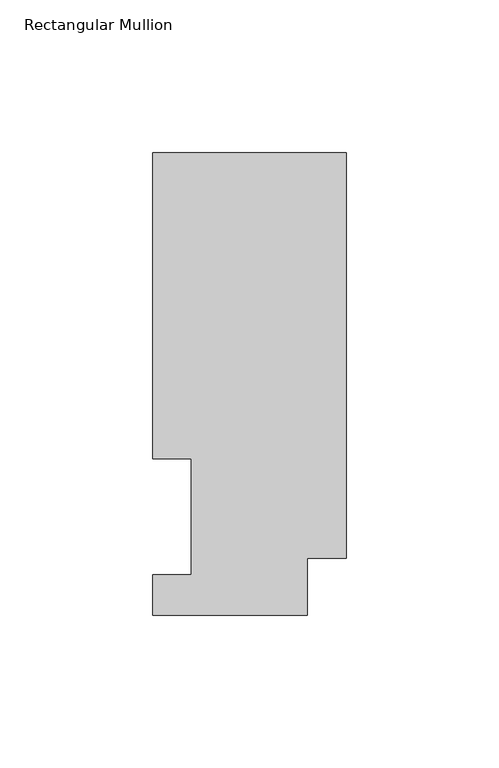
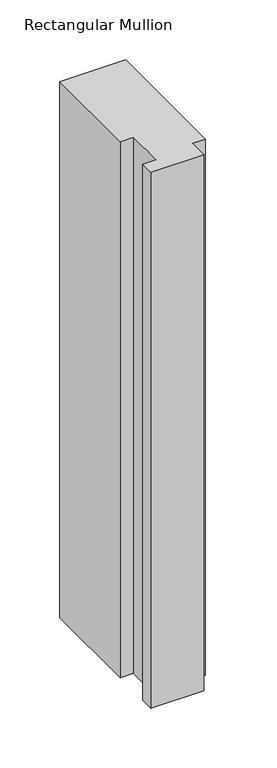
"""IFC4 building model written with IfcOpenShell, lengths in millimetres: member geometry, Rectangular Mullion."""

from ifc_helpers import new_model, si_unit, frame, origin, place, context, project, spatial, polyline, outline, extrude, source, transform, mapped, element, save


def rectangular_mullion_72c4249b(model_context):
    return source(origin(), model_context, "Body", "SweptSolid", [
        extrude(outline(polyline([(-63.5, 151.7022937), (0.0, 151.7022937), (0.0, 18.7332937), (-12.7, 18.7332937), (-12.7, 0.0134937), (-63.5, 0.0134937), (-63.5, 13.1960938), (-50.8, 13.1960938), (-50.8, 51.2960938), (-63.5, 51.2960937), (-63.5, 151.7022937)])), frame((0.0, 0.0, -546.1134938), z_axis=(0.0, 0.0, 1.0), x_axis=(1.0, 0.0, 0.0)), (0.0, 0.0, 1.0), 546.1134938),
    ])


if __name__ == "__main__":
    model = new_model("IFC4")
    model_context = context("Model", 3, world=origin())
    ifc_project = project(units=[si_unit("LENGTHUNIT", "METRE", prefix="MILLI")], contexts=[model_context])
    site = spatial("IfcSite", under=ifc_project)
    building = spatial("IfcBuilding", under=site)
    placement = place(None, origin())
    rectangular_mullion_shape = rectangular_mullion_72c4249b(model_context)
    element("IfcMember", 1, ObjectType="Rectangular Mullion", at=placement, inside=building, context=model_context, shape_type="MappedRepresentation", body=[
        mapped(rectangular_mullion_shape, transform((0.0, 0.0, 0.0), x_axis=(1.0, 0.0, 0.0), y_axis=(0.0, 1.0, 0.0), z_axis=(0.0, 0.0, 1.0))),
    ])
    save(model, "model.ifc")
